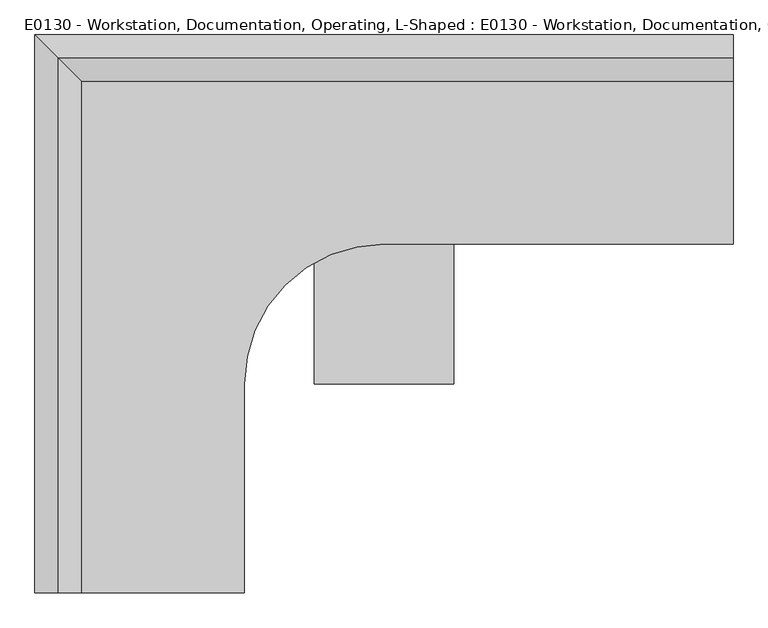
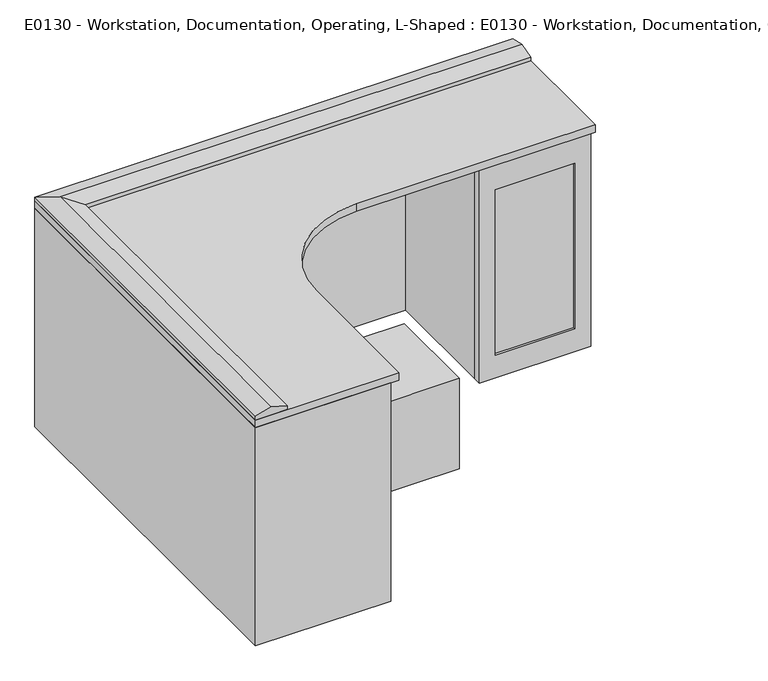
"""IFC4 building model written with IfcOpenShell, lengths in millimetres: proxy geometry, E0130 - Workstation, Documentation, Operating, L-Shaped : E0130 - Workstation, Documentation, Operating, L-Shaped."""

from ifc_helpers import new_model, si_unit, point, frame, frame_2d, origin, origin_with_axes, place, context, project, spatial, polyline, circle_curve, trimmed, segment, composite_curve, outline, extrude, faceted_brep, source, transform, mapped, element, save


def e0130_workstation_documentation_operating_l_shaped_e0130_dad7d897(model_context):
    return source(origin(), model_context, "Body", "SolidModel", [
        extrude(outline(polyline([(711.2, 184.9965826), (457.2, 184.9965826), (457.2, 193.8982967), (711.2, 193.8982967), (711.2, 184.9965826)])), frame((0.0, 0.0, 76.2), z_axis=(0.0, 0.0, 1.0), x_axis=(1.0, 0.0, 0.0)), (0.0, 0.0, 1.0), 558.8),
        extrude(outline(polyline([(736.6, 762.0), (736.6, 406.4), (0.0, 406.4), (0.0, 762.0), (736.6, 762.0)]), holes=[polyline([(635.0, 711.2), (76.2, 711.2), (76.2, 457.2), (635.0, 457.2), (635.0, 711.2)])]), frame((0.0, 177.8, 0.0), z_axis=(0.0, 1.0, 0.0), x_axis=(0.0, 0.0, 1.0)), (0.0, 0.0, 1.0), 25.4),
        faceted_brep([(-660.4, -609.6, 762.0), (-660.4, -609.6, 774.7), (-711.2, -609.6, 788.311819), (-762.0, -609.6, 774.7), (-762.0, -609.6, 762.0), (-762.0, 609.6, 762.0), (762.0, 609.6, 762.0), (762.0, 508.0, 762.0), (-660.4, 508.0, 762.0), (762.0, 609.6, 774.7), (762.0, 558.8, 788.311819), (762.0, 508.0, 774.7), (-660.4, 508.0, 774.7), (-711.2, 558.8, 788.311819), (-762.0, 609.6, 774.7)], [[[0, 1, 2, 3, 4]], [[0, 4, 5, 6, 7, 8]], [[7, 6, 9, 10, 11]], [[1, 0, 8, 12]], [[2, 1, 12, 13]], [[3, 2, 13, 14]], [[4, 3, 14, 5]], [[12, 8, 7, 11]], [[13, 12, 11, 10]], [[14, 13, 10, 9]], [[5, 14, 9, 6]]]),
        extrude(outline(polyline([(431.8, 558.8), (431.8, 203.2), (406.4, 203.2), (406.4, 584.2), (736.6, 584.2), (736.6, 558.8), (431.8, 558.8)])), origin_with_axes(), (0.0, 0.0, 1.0), 736.6),
        extrude(outline(polyline([(-762.0, 609.6), (762.0, 609.6), (762.0, 203.2), (736.6, 203.2), (736.6, 584.2), (-736.6, 584.2), (-736.6, -584.2), (-330.2, -584.2), (-330.2, -609.6), (-762.0, -609.6), (-762.0, 609.6)])), origin_with_axes(), (0.0, 0.0, 1.0), 736.6),
        extrude(outline(composite_curve([segment(polyline([(762.0, 609.6), (762.0, 152.4), (0.0, 152.4)]), True, "CONTINUOUS"), segment(trimmed(circle_curve(frame_2d((0.0, -152.4)), 304.8), [point((0.0, 152.4))], [point((-304.8, -152.4))], True, "CARTESIAN"), True, "CONTINUOUS"), segment(polyline([(-304.8, -152.4), (-304.8, -609.6), (-762.0, -609.6), (-762.0, 609.6), (762.0, 609.6)]), True, "CONTINUOUS")], self_intersect=False)), frame((0.0, 0.0, 736.6), z_axis=(0.0, 0.0, 1.0), x_axis=(1.0, 0.0, 0.0)), (0.0, 0.0, 1.0), 25.4),
        extrude(outline(polyline([(-152.4, 152.4), (152.4, 152.4), (152.4, -152.4), (-152.4, -152.4), (-152.4, 0.0), (-152.4, 152.4)])), origin_with_axes(), (0.0, 0.0, 1.0), 304.8),
    ])


if __name__ == "__main__":
    model = new_model("IFC4")
    model_context = context("Model", 3, world=origin())
    ifc_project = project(units=[si_unit("LENGTHUNIT", "METRE", prefix="MILLI")], contexts=[model_context])
    site = spatial("IfcSite", under=ifc_project)
    building = spatial("IfcBuilding", under=site)
    placement = place(None, origin())
    e0130_workstation_documentation_operating_l_shaped_e0130_shape = e0130_workstation_documentation_operating_l_shaped_e0130_dad7d897(model_context)
    element("IfcBuildingElementProxy", 1, Name="E0130 - Workstation, Documentation, Operating, L-Shaped : E0130 - Workstation, Documentation, Operating, L-Shaped", ObjectType="E0130 - Workstation, Documentation, Operating, L-Shaped : E0130 - Workstation, Documentation, Operating, L-Shaped", at=placement, inside=building, context=model_context, shape_type="MappedRepresentation", body=[
        mapped(e0130_workstation_documentation_operating_l_shaped_e0130_shape, transform((0.0, 0.0, 0.0), x_axis=(1.0, 0.0, 0.0), y_axis=(0.0, 1.0, 0.0), z_axis=(0.0, 0.0, 1.0))),
    ])
    save(model, "model.ifc")
